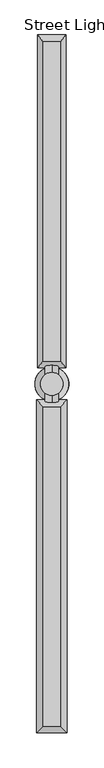
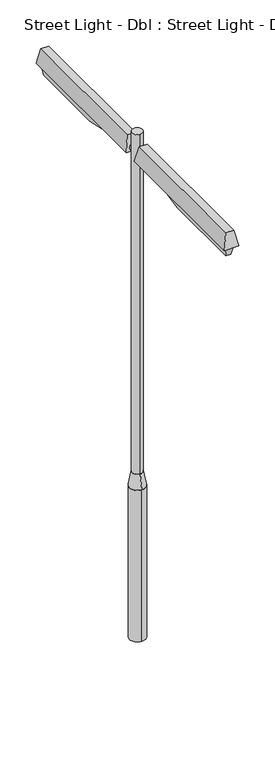
"""IFC4 building model written with IfcOpenShell, lengths in millimetres: light fixture geometry, Street Light - Dbl : Street Light - Dbl."""

from ifc_helpers import new_model, si_unit, point, frame, frame_2d, origin, origin_with_axes, place, context, project, spatial, polyline, circle_curve, trimmed, segment, composite_curve, outline, extrude, faceted_brep, source, transform, mapped, element, save
from ifc_brep_helpers import plane_surface, revolved_surface, advanced_brep


def street_light_dbl_street_light_dbl_0d1352f8(model_context):
    return source(origin(), model_context, "Body", "SolidModel", [
        faceted_brep([(68.5647283, 1475.0, 4670.0), (68.5647283, 725.0, 4670.0), (18.5647283, 725.0, 4670.0), (18.5647283, 1475.0, 4670.0), (81.0647283, 1500.0, 4770.0), (6.0647283, 1500.0, 4770.0), (6.0647283, 320.0, 4770.0), (81.0647283, 320.0, 4770.0)], [[[0, 1, 2, 3]], [[4, 5, 6, 7]], [[4, 7, 1, 0]], [[7, 6, 2, 1]], [[6, 5, 3, 2]], [[5, 4, 0, 3]]]),
        faceted_brep([(6.0647283, 1500.0, 4919.2599613), (6.0647283, 100.0, 4919.2599613), (81.0647283, 100.0, 4919.2599613), (81.0647283, 1500.0, 4919.2599613), (-19.0941637, 1529.9920379, 4770.0), (106.2236203, 1529.9920379, 4770.0), (106.2236203, 69.9920379, 4770.0), (-19.0941637, 69.9920379, 4770.0)], [[[0, 1, 2, 3]], [[4, 5, 6, 7]], [[4, 7, 1, 0]], [[7, 6, 2, 1]], [[6, 5, 3, 2]], [[5, 4, 0, 3]]]),
        faceted_brep([(68.5647283, -700.0, 4670.0), (68.5647283, -1475.0, 4670.0), (18.5647283, -1475.0, 4670.0), (18.5647283, -700.0, 4670.0), (81.0647283, -320.0, 4770.0), (6.0647283, -320.0, 4770.0), (6.0647283, -1500.0, 4770.0), (81.0647283, -1500.0, 4770.0)], [[[0, 1, 2, 3]], [[4, 5, 6, 7]], [[4, 7, 1, 0]], [[7, 6, 2, 1]], [[6, 5, 3, 2]], [[5, 4, 0, 3]]]),
        faceted_brep([(81.0647283, -1500.0, 4919.2599613), (81.0647283, -100.0, 4919.2599613), (6.0647283, -100.0, 4919.2599613), (6.0647283, -1500.0, 4919.2599613), (111.0647283, -1530.0, 4770.0), (-23.9352717, -1530.0, 4770.0), (-23.9352717, -70.0, 4770.0), (111.0647283, -70.0, 4770.0)], [[[0, 1, 2, 3]], [[4, 5, 6, 7]], [[4, 7, 1, 0]], [[7, 6, 2, 1]], [[6, 5, 3, 2]], [[5, 4, 0, 3]]]),
        extrude(outline(composite_curve([segment(trimmed(circle_curve(frame_2d((4800.0, 43.5647283)), 30.0), [point((4830.0, 43.5647283))], [point((4770.0, 43.5647283))], False, "CARTESIAN"), True, "CONTINUOUS"), segment(trimmed(circle_curve(frame_2d((4800.0, 43.5647283)), 30.0), [point((4770.0, 43.5647283))], [point((4830.0, 43.5647283))], False, "CARTESIAN"), True, "CONTINUOUS")], self_intersect=False)), frame((0.0, -1500.0, 0.0), z_axis=(0.0, 1.0, 0.0), x_axis=(0.0, 0.0, 1.0)), (0.0, 0.0, 1.0), 3000.0),
        extrude(outline(composite_curve([segment(trimmed(circle_curve(frame_2d((43.5647283, 0.0)), 75.0), [point((43.5647283, 75.0))], [point((43.5647283, -75.0))], False, "CARTESIAN"), True, "CONTINUOUS"), segment(trimmed(circle_curve(frame_2d((43.5647283, 0.0)), 75.0), [point((43.5647283, -75.0))], [point((43.5647283, 75.0))], False, "CARTESIAN"), True, "CONTINUOUS")], self_intersect=False)), origin_with_axes(), (0.0, 0.0, 1.0), 1500.0),
        advanced_brep(
        [(43.5647283, 50.0, 1640.0), (43.5647283, -50.0, 1640.0), (43.5647283, 75.0, 1500.0), (43.5647283, -75.0, 1500.0)],
        [
            (0, 1, circle_curve(frame((43.5647283, 0.0, 1640.0), z_axis=(0.0, 0.0, 1.0), x_axis=(0.0, 1.0, 0.0)), 50.0)),
            (1, 0, circle_curve(frame((43.5647283, 0.0, 1640.0), z_axis=(0.0, 0.0, 1.0), x_axis=(0.0, -1.0, 0.0)), 50.0)),
            (2, 3, circle_curve(frame((43.5647283, 0.0, 1500.0), z_axis=(0.0, 0.0, -1.0), x_axis=(0.0, -1.0, 0.0)), 75.0)),
            (3, 2, circle_curve(frame((43.5647283, 0.0, 1500.0), z_axis=(0.0, 0.0, -1.0), x_axis=(0.0, 1.0, 0.0)), 75.0)),
            (3, 1),
            (0, 2),
        ],
        [
            plane_surface(frame((43.5647283, 0.0, 1640.0), z_axis=(0.0, 0.0, 1.0), x_axis=(-1.0, 0.0, 0.0))),
            plane_surface(frame((43.5647283, 0.0, 1500.0), z_axis=(0.0, 0.0, -1.0), x_axis=(-1.0, 0.0, 0.0))),
            revolved_surface(polyline([(43.5647283, 50.0, 1640.0), (43.5647283, 75.0, 1500.0)]), (43.5647283, 0.0, 1920.0), (0.0, 0.0, -1.0)),
            revolved_surface(polyline([(43.5647283, -50.0, 1640.0), (43.5647283, -75.0, 1500.0)]), (43.5647283, 0.0, 1920.0), (0.0, 0.0, -1.0)),
        ],
        [
            (0, [[1, 2]]),
            (1, [[3, 4]]),
            (2, [[-4, 5, -1, 6]]),
            (3, [[-3, -6, -2, -5]]),
        ],
    ),
        extrude(outline(composite_curve([segment(trimmed(circle_curve(frame_2d((43.5647283, 0.0)), 50.0), [point((43.5647283, 50.0))], [point((43.5647283, -50.0))], False, "CARTESIAN"), True, "CONTINUOUS"), segment(trimmed(circle_curve(frame_2d((43.5647283, 0.0)), 50.0), [point((43.5647283, -50.0))], [point((43.5647283, 50.0))], False, "CARTESIAN"), True, "CONTINUOUS")], self_intersect=False)), frame((0.0, 0.0, 1640.0), z_axis=(0.0, 0.0, 1.0), x_axis=(1.0, 0.0, 0.0)), (0.0, 0.0, 1.0), 3360.0),
    ])


if __name__ == "__main__":
    model = new_model("IFC4")
    model_context = context("Model", 3, world=origin())
    ifc_project = project(units=[si_unit("LENGTHUNIT", "METRE", prefix="MILLI")], contexts=[model_context])
    site = spatial("IfcSite", under=ifc_project)
    building = spatial("IfcBuilding", under=site)
    placement = place(None, origin())
    street_light_dbl_street_light_dbl_shape = street_light_dbl_street_light_dbl_0d1352f8(model_context)
    element("IfcLightFixture", 1, ObjectType="Street Light - Dbl : Street Light - Dbl", at=placement, inside=building, context=model_context, shape_type="MappedRepresentation", body=[
        mapped(street_light_dbl_street_light_dbl_shape, transform((0.0, 0.0, 0.0), x_axis=(1.0, 0.0, 0.0), y_axis=(0.0, 1.0, 0.0), z_axis=(0.0, 0.0, 1.0))),
    ])
    save(model, "model.ifc")
